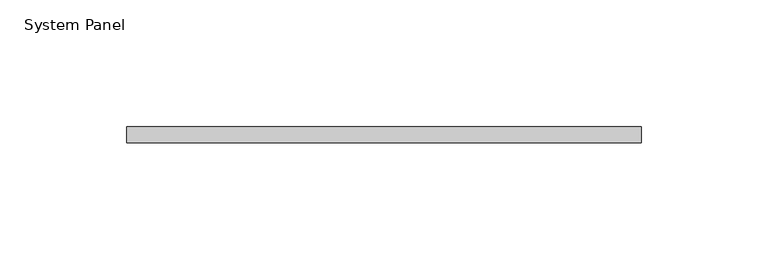
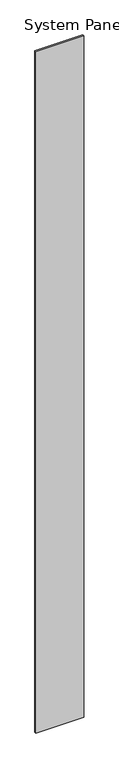
"""IFC4 building model written with IfcOpenShell, lengths in millimetres: plate geometry, System Panel."""

import ifcopenshell
import ifcopenshell.guid

model = None  # the IFC model being written
_history = None  # IfcOwnerHistory: only IFC2X3 demands one
_inside = {}  # id of a spatial element -> (the spatial element, [elements in it])
_under = {}  # id of a project, library or spatial element -> (it, [spatial elements below it])
_declared = {}  # id of a project -> (the project, [libraries it declares])
_typed = {}  # id of a type object -> (the type object, [elements of that type])
_made_of = {}  # id of a material, layer set ... -> (it, [elements and type objects made of it])


def new_model(schema):
    """Start an empty IFC model of exactly this schema.

    Asked for "IFC4X3", IfcOpenShell would pick the latest addendum, in which some entities
    have other attributes; the version numbers below select the first issue.
    IFC2X3 requires an IfcOwnerHistory on every rooted entity: one is made here for all.
    """
    global model, _history
    if schema == "IFC4X3":
        model = ifcopenshell.file(schema_version=(4, 3, 0, 0))
    else:
        model = ifcopenshell.file(schema=schema)
    _inside.clear()
    _under.clear()
    _declared.clear()
    _typed.clear()
    _made_of.clear()
    _history = None
    if model.schema == "IFC2X3":
        org = make("IfcOrganization", Name="unknown")
        user = make(
            "IfcPersonAndOrganization",
            ThePerson=make("IfcPerson", FamilyName="unknown"),
            TheOrganization=org,
        )
        app = make(
            "IfcApplication",
            ApplicationDeveloper=org,
            Version="unknown",
            ApplicationFullName="unknown",
            ApplicationIdentifier="unknown",
        )
        _history = make(
            "IfcOwnerHistory",
            OwningUser=user,
            OwningApplication=app,
            ChangeAction="ADDED",
            CreationDate=0,
        )
    return model


def make(cls, **values):
    """One entity of the class cls with the attributes given. An attribute that is None is left unset."""
    return model.create_entity(
        cls, **{name: value for name, value in values.items() if value is not None}
    )


def rooted(cls, **values):
    """An entity with a GlobalId (a new one), such as an element, a storey or a relation."""
    return make(cls, GlobalId=ifcopenshell.guid.new(), OwnerHistory=_history, **values)


def si_unit(unit_type, name, prefix=None):
    """IfcSIUnit, for example si_unit("LENGTHUNIT", "METRE", prefix="MILLI")."""
    return make("IfcSIUnit", UnitType=unit_type, Prefix=prefix, Name=name)


def assignment(units):
    """IfcUnitAssignment: the units of a project."""
    return None if units is None else make("IfcUnitAssignment", Units=units)


def point(xyz):
    """IfcCartesianPoint."""
    return None if xyz is None else make("IfcCartesianPoint", Coordinates=xyz)


def direction(xyz):
    """IfcDirection."""
    return None if xyz is None else make("IfcDirection", DirectionRatios=xyz)


def frame(location, z_axis=None, x_axis=None):
    """IfcAxis2Placement3D, a coordinate frame: its origin and axes. An axis left out is left unset."""
    return make(
        "IfcAxis2Placement3D",
        Location=point(location),
        Axis=direction(z_axis),
        RefDirection=direction(x_axis),
    )


def origin():
    """The frame at (0, 0, 0) with its axes left unset."""
    return frame((0.0, 0.0, 0.0))


def origin_with_axes():
    """The frame at (0, 0, 0) with the z axis (0, 0, 1) and the x axis (1, 0, 0) written out."""
    return frame((0.0, 0.0, 0.0), z_axis=(0.0, 0.0, 1.0), x_axis=(1.0, 0.0, 0.0))


def place(relative_to, where):
    """IfcLocalPlacement: puts the frame where relative to a parent placement (None: the world)."""
    return make(
        "IfcLocalPlacement", PlacementRelTo=relative_to, RelativePlacement=where
    )


def context(
    kind, dimensions, precision=None, world=None, true_north=None, identifier=None
):
    """IfcGeometricRepresentationContext, for example the 3D "Model" context."""
    return make(
        "IfcGeometricRepresentationContext",
        ContextIdentifier=identifier,
        ContextType=kind,
        CoordinateSpaceDimension=dimensions,
        Precision=precision,
        WorldCoordinateSystem=world,
        TrueNorth=true_north,
    )


def project(units=None, contexts=None):
    """IfcProject with its units and contexts."""
    return rooted(
        "IfcProject",
        Name="project",
        RepresentationContexts=contexts,
        UnitsInContext=assignment(units),
    )


def spatial(cls, under=None, at=None, **own):
    """A site, building, storey or space (cls), placed at a placement, below another one or the project."""
    s = rooted(cls, ObjectPlacement=at, **own)
    if under is not None:
        _under.setdefault(under.id(), (under, []))[1].append(s)
    return s


def polyline(points):
    """IfcPolyline through the points."""
    return make("IfcPolyline", Points=[point(p) for p in points])


def outline(outer, holes=None, kind="AREA"):
    """IfcArbitraryClosedProfileDef: a profile drawn as a closed curve; with holes, ...WithVoids."""
    if holes is None:
        return make("IfcArbitraryClosedProfileDef", ProfileType=kind, OuterCurve=outer)
    return make(
        "IfcArbitraryProfileDefWithVoids",
        ProfileType=kind,
        OuterCurve=outer,
        InnerCurves=holes,
    )


def extrude(swept, where, along, depth):
    """IfcExtrudedAreaSolid: the profile swept, set in the frame where, extruded along a direction by depth."""
    return make(
        "IfcExtrudedAreaSolid",
        SweptArea=swept,
        Position=where,
        ExtrudedDirection=direction(along),
        Depth=depth,
    )


def shape(context_of_items, identifier, shape_type, items):
    """IfcShapeRepresentation: the items that make up one representation, for example the "Body"."""
    return make(
        "IfcShapeRepresentation",
        ContextOfItems=context_of_items,
        RepresentationIdentifier=identifier,
        RepresentationType=shape_type,
        Items=items,
    )


def source(mapping_origin, context_of_items, identifier, shape_type, items):
    """IfcRepresentationMap: a shape defined once, which mapped items show again and again."""
    return make(
        "IfcRepresentationMap",
        MappingOrigin=mapping_origin,
        MappedRepresentation=shape(context_of_items, identifier, shape_type, items),
    )


def transform(
    local_origin,
    x_axis=None,
    y_axis=None,
    z_axis=None,
    scale=None,
    scale2=None,
    scale3=None,
    uniform=True,
):
    """IfcCartesianTransformationOperator3D, or its non-uniform kind. x_axis, y_axis, z_axis: its Axis1, 2, 3."""
    if uniform:
        return make(
            "IfcCartesianTransformationOperator3D",
            Axis1=direction(x_axis),
            Axis2=direction(y_axis),
            LocalOrigin=point(local_origin),
            Scale=scale,
            Axis3=direction(z_axis),
        )
    return make(
        "IfcCartesianTransformationOperator3DnonUniform",
        Axis1=direction(x_axis),
        Axis2=direction(y_axis),
        LocalOrigin=point(local_origin),
        Scale=scale,
        Axis3=direction(z_axis),
        Scale2=scale2,
        Scale3=scale3,
    )


def mapped(mapping_source, mapping_target):
    """IfcMappedItem: shows the shape of a source again, moved by a transform."""
    return make(
        "IfcMappedItem", MappingSource=mapping_source, MappingTarget=mapping_target
    )


def made_of(thing, what):
    """Note that an element or type object is made of a material, layer set ...; save() writes the relation."""
    if what is not None:
        _made_of.setdefault(what.id(), (what, []))[1].append(thing)
    return thing


def element(
    cls,
    number,
    at=None,
    inside=None,
    cuts=None,
    type_object=None,
    material=None,
    context=None,
    identifier="Body",
    shape_type=None,
    held_by="IfcProductDefinitionShape",
    body=None,
    shapes=None,
    **own,
):
    """One element of the class cls, such as IfcWall. Its Tag is "e" and its number.

    at: its placement. inside: the storey or other place that contains it. cuts: it is an
    opening in that element (IfcRelVoidsElement). A single representation is given by context,
    identifier, shape_type and body (its items); several are given by shapes. held_by: the class
    of the entity that holds the representations. save() writes the other relations.
    """
    e = rooted(cls, Tag="e%d" % number, ObjectPlacement=at, **own)
    if body is not None:
        shapes = [shape(context, identifier, shape_type, body)]
    if shapes is not None:
        e.Representation = make(held_by, Representations=shapes)
    if inside is not None:
        _inside.setdefault(inside.id(), (inside, []))[1].append(e)
    if cuts is not None:
        rooted(
            "IfcRelVoidsElement", RelatingBuildingElement=cuts, RelatedOpeningElement=e
        )
    if type_object is not None:
        _typed.setdefault(type_object.id(), (type_object, []))[1].append(e)
    return made_of(e, material)


def aggregate(whole, parts):
    """IfcRelAggregates: a whole, such as a stair, and the parts it consists of."""
    return rooted("IfcRelAggregates", RelatingObject=whole, RelatedObjects=parts)


def save(model, path):
    """Write the relations noted so far, then the file.

    IfcRelAggregates (storeys below a building ...), IfcRelContainedInSpatialStructure (elements
    in a storey), IfcRelDefinesByType, IfcRelAssociatesMaterial and IfcRelDeclares: one each for
    every whole, place, type object, material and project.
    """
    for whole, parts in _under.values():
        aggregate(whole, parts)
    for where, things in _inside.values():
        rooted(
            "IfcRelContainedInSpatialStructure",
            RelatedElements=things,
            RelatingStructure=where,
        )
    for kind, things in _typed.values():
        rooted("IfcRelDefinesByType", RelatedObjects=things, RelatingType=kind)
    for what, things in _made_of.values():
        rooted("IfcRelAssociatesMaterial", RelatedObjects=things, RelatingMaterial=what)
    for by, libraries in _declared.values():
        rooted("IfcRelDeclares", RelatingContext=by, RelatedDefinitions=libraries)
    model.write(path)


def system_panel_e661a7a2(model_context):
    return source(origin(), model_context, "Body", "SweptSolid", [
        extrude(outline(polyline([(101.6, 0.0), (-101.6, 0.0), (-101.6, 6.35), (101.6, 6.35), (101.6, 0.0)])), origin_with_axes(), (0.0, 0.0, 1.0), 3048.0),
    ])


if __name__ == "__main__":
    model = new_model("IFC4")
    model_context = context("Model", 3, world=origin())
    ifc_project = project(units=[si_unit("LENGTHUNIT", "METRE", prefix="MILLI")], contexts=[model_context])
    site = spatial("IfcSite", under=ifc_project)
    building = spatial("IfcBuilding", under=site)
    placement = place(None, origin())
    system_panel_shape = system_panel_e661a7a2(model_context)
    element("IfcPlate", 1, ObjectType="System Panel", at=placement, inside=building, context=model_context, shape_type="MappedRepresentation", body=[
        mapped(system_panel_shape, transform((0.0, 0.0, 0.0), x_axis=(1.0, 0.0, 0.0), y_axis=(0.0, 1.0, 0.0), z_axis=(0.0, 0.0, 1.0))),
    ])
    save(model, "model.ifc")
